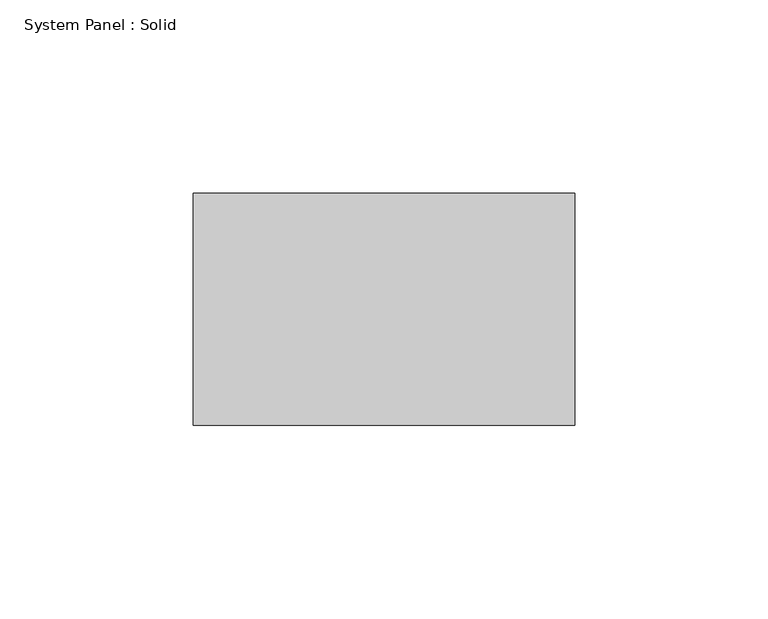
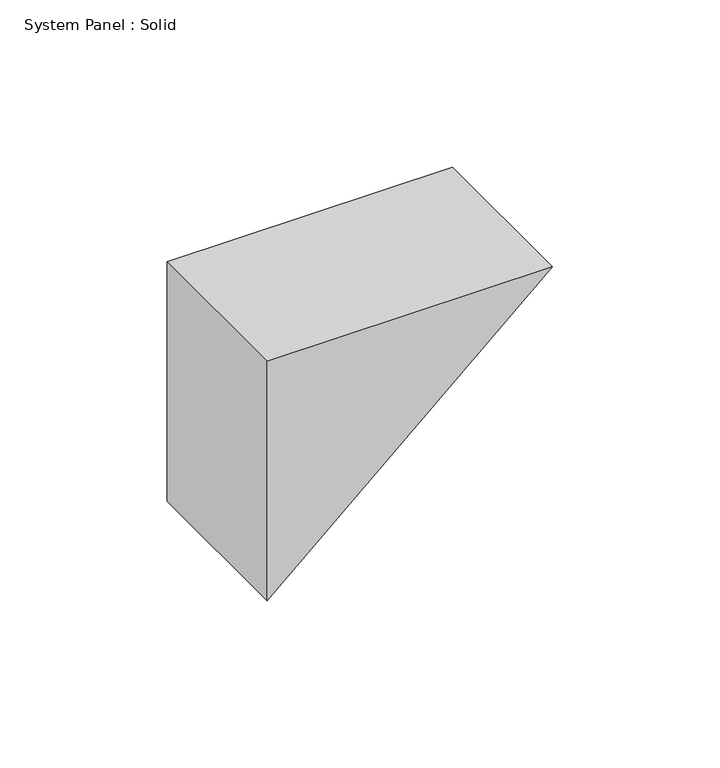
"""IFC4 building model written with IfcOpenShell, lengths in millimetres: plate geometry, System Panel : Solid."""

import ifcopenshell
import ifcopenshell.guid

model = None  # the IFC model being written
_history = None  # IfcOwnerHistory: only IFC2X3 demands one
_inside = {}  # id of a spatial element -> (the spatial element, [elements in it])
_under = {}  # id of a project, library or spatial element -> (it, [spatial elements below it])
_declared = {}  # id of a project -> (the project, [libraries it declares])
_typed = {}  # id of a type object -> (the type object, [elements of that type])
_made_of = {}  # id of a material, layer set ... -> (it, [elements and type objects made of it])


def new_model(schema):
    """Start an empty IFC model of exactly this schema.

    Asked for "IFC4X3", IfcOpenShell would pick the latest addendum, in which some entities
    have other attributes; the version numbers below select the first issue.
    IFC2X3 requires an IfcOwnerHistory on every rooted entity: one is made here for all.
    """
    global model, _history
    if schema == "IFC4X3":
        model = ifcopenshell.file(schema_version=(4, 3, 0, 0))
    else:
        model = ifcopenshell.file(schema=schema)
    _inside.clear()
    _under.clear()
    _declared.clear()
    _typed.clear()
    _made_of.clear()
    _history = None
    if model.schema == "IFC2X3":
        org = make("IfcOrganization", Name="unknown")
        user = make(
            "IfcPersonAndOrganization",
            ThePerson=make("IfcPerson", FamilyName="unknown"),
            TheOrganization=org,
        )
        app = make(
            "IfcApplication",
            ApplicationDeveloper=org,
            Version="unknown",
            ApplicationFullName="unknown",
            ApplicationIdentifier="unknown",
        )
        _history = make(
            "IfcOwnerHistory",
            OwningUser=user,
            OwningApplication=app,
            ChangeAction="ADDED",
            CreationDate=0,
        )
    return model


def make(cls, **values):
    """One entity of the class cls with the attributes given. An attribute that is None is left unset."""
    return model.create_entity(
        cls, **{name: value for name, value in values.items() if value is not None}
    )


def rooted(cls, **values):
    """An entity with a GlobalId (a new one), such as an element, a storey or a relation."""
    return make(cls, GlobalId=ifcopenshell.guid.new(), OwnerHistory=_history, **values)


def si_unit(unit_type, name, prefix=None):
    """IfcSIUnit, for example si_unit("LENGTHUNIT", "METRE", prefix="MILLI")."""
    return make("IfcSIUnit", UnitType=unit_type, Prefix=prefix, Name=name)


def assignment(units):
    """IfcUnitAssignment: the units of a project."""
    return None if units is None else make("IfcUnitAssignment", Units=units)


def point(xyz):
    """IfcCartesianPoint."""
    return None if xyz is None else make("IfcCartesianPoint", Coordinates=xyz)


def direction(xyz):
    """IfcDirection."""
    return None if xyz is None else make("IfcDirection", DirectionRatios=xyz)


def frame(location, z_axis=None, x_axis=None):
    """IfcAxis2Placement3D, a coordinate frame: its origin and axes. An axis left out is left unset."""
    return make(
        "IfcAxis2Placement3D",
        Location=point(location),
        Axis=direction(z_axis),
        RefDirection=direction(x_axis),
    )


def origin():
    """The frame at (0, 0, 0) with its axes left unset."""
    return frame((0.0, 0.0, 0.0))


def place(relative_to, where):
    """IfcLocalPlacement: puts the frame where relative to a parent placement (None: the world)."""
    return make(
        "IfcLocalPlacement", PlacementRelTo=relative_to, RelativePlacement=where
    )


def context(
    kind, dimensions, precision=None, world=None, true_north=None, identifier=None
):
    """IfcGeometricRepresentationContext, for example the 3D "Model" context."""
    return make(
        "IfcGeometricRepresentationContext",
        ContextIdentifier=identifier,
        ContextType=kind,
        CoordinateSpaceDimension=dimensions,
        Precision=precision,
        WorldCoordinateSystem=world,
        TrueNorth=true_north,
    )


def project(units=None, contexts=None):
    """IfcProject with its units and contexts."""
    return rooted(
        "IfcProject",
        Name="project",
        RepresentationContexts=contexts,
        UnitsInContext=assignment(units),
    )


def spatial(cls, under=None, at=None, **own):
    """A site, building, storey or space (cls), placed at a placement, below another one or the project."""
    s = rooted(cls, ObjectPlacement=at, **own)
    if under is not None:
        _under.setdefault(under.id(), (under, []))[1].append(s)
    return s


def polyline(points):
    """IfcPolyline through the points."""
    return make("IfcPolyline", Points=[point(p) for p in points])


def outline(outer, holes=None, kind="AREA"):
    """IfcArbitraryClosedProfileDef: a profile drawn as a closed curve; with holes, ...WithVoids."""
    if holes is None:
        return make("IfcArbitraryClosedProfileDef", ProfileType=kind, OuterCurve=outer)
    return make(
        "IfcArbitraryProfileDefWithVoids",
        ProfileType=kind,
        OuterCurve=outer,
        InnerCurves=holes,
    )


def extrude(swept, where, along, depth):
    """IfcExtrudedAreaSolid: the profile swept, set in the frame where, extruded along a direction by depth."""
    return make(
        "IfcExtrudedAreaSolid",
        SweptArea=swept,
        Position=where,
        ExtrudedDirection=direction(along),
        Depth=depth,
    )


def shape(context_of_items, identifier, shape_type, items):
    """IfcShapeRepresentation: the items that make up one representation, for example the "Body"."""
    return make(
        "IfcShapeRepresentation",
        ContextOfItems=context_of_items,
        RepresentationIdentifier=identifier,
        RepresentationType=shape_type,
        Items=items,
    )


def source(mapping_origin, context_of_items, identifier, shape_type, items):
    """IfcRepresentationMap: a shape defined once, which mapped items show again and again."""
    return make(
        "IfcRepresentationMap",
        MappingOrigin=mapping_origin,
        MappedRepresentation=shape(context_of_items, identifier, shape_type, items),
    )


def transform(
    local_origin,
    x_axis=None,
    y_axis=None,
    z_axis=None,
    scale=None,
    scale2=None,
    scale3=None,
    uniform=True,
):
    """IfcCartesianTransformationOperator3D, or its non-uniform kind. x_axis, y_axis, z_axis: its Axis1, 2, 3."""
    if uniform:
        return make(
            "IfcCartesianTransformationOperator3D",
            Axis1=direction(x_axis),
            Axis2=direction(y_axis),
            LocalOrigin=point(local_origin),
            Scale=scale,
            Axis3=direction(z_axis),
        )
    return make(
        "IfcCartesianTransformationOperator3DnonUniform",
        Axis1=direction(x_axis),
        Axis2=direction(y_axis),
        LocalOrigin=point(local_origin),
        Scale=scale,
        Axis3=direction(z_axis),
        Scale2=scale2,
        Scale3=scale3,
    )


def mapped(mapping_source, mapping_target):
    """IfcMappedItem: shows the shape of a source again, moved by a transform."""
    return make(
        "IfcMappedItem", MappingSource=mapping_source, MappingTarget=mapping_target
    )


def made_of(thing, what):
    """Note that an element or type object is made of a material, layer set ...; save() writes the relation."""
    if what is not None:
        _made_of.setdefault(what.id(), (what, []))[1].append(thing)
    return thing


def element(
    cls,
    number,
    at=None,
    inside=None,
    cuts=None,
    type_object=None,
    material=None,
    context=None,
    identifier="Body",
    shape_type=None,
    held_by="IfcProductDefinitionShape",
    body=None,
    shapes=None,
    **own,
):
    """One element of the class cls, such as IfcWall. Its Tag is "e" and its number.

    at: its placement. inside: the storey or other place that contains it. cuts: it is an
    opening in that element (IfcRelVoidsElement). A single representation is given by context,
    identifier, shape_type and body (its items); several are given by shapes. held_by: the class
    of the entity that holds the representations. save() writes the other relations.
    """
    e = rooted(cls, Tag="e%d" % number, ObjectPlacement=at, **own)
    if body is not None:
        shapes = [shape(context, identifier, shape_type, body)]
    if shapes is not None:
        e.Representation = make(held_by, Representations=shapes)
    if inside is not None:
        _inside.setdefault(inside.id(), (inside, []))[1].append(e)
    if cuts is not None:
        rooted(
            "IfcRelVoidsElement", RelatingBuildingElement=cuts, RelatedOpeningElement=e
        )
    if type_object is not None:
        _typed.setdefault(type_object.id(), (type_object, []))[1].append(e)
    return made_of(e, material)


def aggregate(whole, parts):
    """IfcRelAggregates: a whole, such as a stair, and the parts it consists of."""
    return rooted("IfcRelAggregates", RelatingObject=whole, RelatedObjects=parts)


def save(model, path):
    """Write the relations noted so far, then the file.

    IfcRelAggregates (storeys below a building ...), IfcRelContainedInSpatialStructure (elements
    in a storey), IfcRelDefinesByType, IfcRelAssociatesMaterial and IfcRelDeclares: one each for
    every whole, place, type object, material and project.
    """
    for whole, parts in _under.values():
        aggregate(whole, parts)
    for where, things in _inside.values():
        rooted(
            "IfcRelContainedInSpatialStructure",
            RelatedElements=things,
            RelatingStructure=where,
        )
    for kind, things in _typed.values():
        rooted("IfcRelDefinesByType", RelatedObjects=things, RelatingType=kind)
    for what, things in _made_of.values():
        rooted("IfcRelAssociatesMaterial", RelatedObjects=things, RelatingMaterial=what)
    for by, libraries in _declared.values():
        rooted("IfcRelDeclares", RelatingContext=by, RelatedDefinitions=libraries)
    model.write(path)


def system_panel_solid_963d6357(model_context):
    return source(origin(), model_context, "Body", "SweptSolid", [
        extrude(outline(polyline([(87.5215255, -49.32484), (0.0, -49.32484), (87.5215255, 49.32484), (87.5215255, -49.32484)])), frame((0.0, -10.5, 0.0), z_axis=(0.0, 1.0, 0.0), x_axis=(0.0, 0.0, 1.0)), (0.0, 0.0, 1.0), 60.0),
    ])


if __name__ == "__main__":
    model = new_model("IFC4")
    model_context = context("Model", 3, world=origin())
    ifc_project = project(units=[si_unit("LENGTHUNIT", "METRE", prefix="MILLI")], contexts=[model_context])
    site = spatial("IfcSite", under=ifc_project)
    building = spatial("IfcBuilding", under=site)
    placement = place(None, origin())
    system_panel_solid_shape = system_panel_solid_963d6357(model_context)
    element("IfcPlate", 1, ObjectType="System Panel : Solid", at=placement, inside=building, context=model_context, shape_type="MappedRepresentation", body=[
        mapped(system_panel_solid_shape, transform((0.0, 0.0, 0.0), x_axis=(1.0, 0.0, 0.0), y_axis=(0.0, 1.0, 0.0), z_axis=(0.0, 0.0, 1.0))),
    ])
    save(model, "model.ifc")
